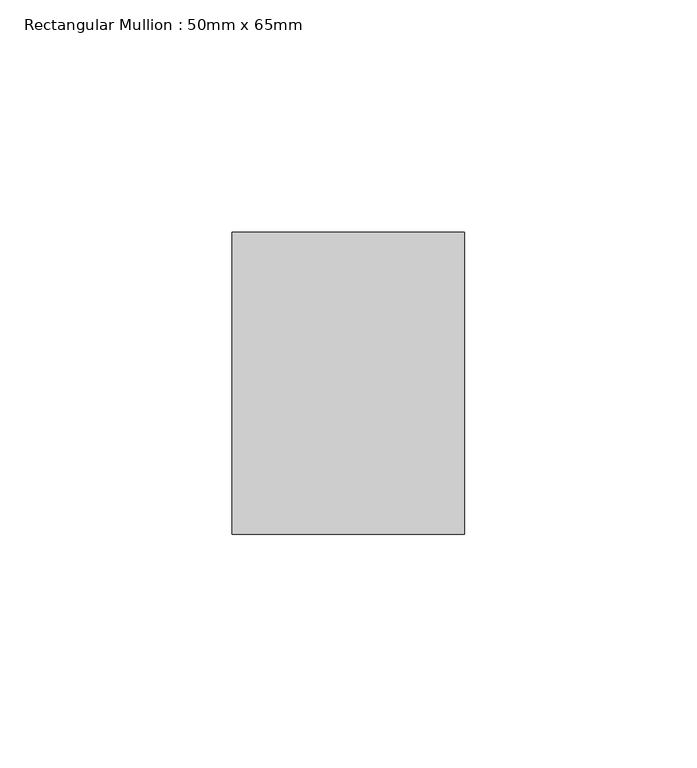
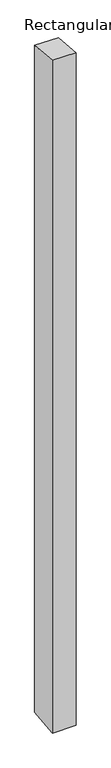
"""IFC4 building model written with IfcOpenShell, lengths in millimetres: member geometry, Rectangular Mullion : 50mm x 65mm."""

from ifc_helpers import new_model, si_unit, origin, place, context, project, spatial, faceted_brep, source, transform, mapped, element, save


def rectangular_mullion_50mm_x_65mm_0287dfe4(model_context):
    return source(origin(), model_context, "Body", "Brep", [
        faceted_brep([(-25.0, 32.5, -2.9911513), (25.0, 32.5, -2.9911613), (25.0, 32.5, -1496.6283828), (-25.0, 32.5, -1496.628394), (-25.0, -32.5, 2.9911613), (-25.0, -32.5, -1503.3717589), (25.0, -32.5, 2.9911513), (25.0, -32.5, -1503.3717477)], [[[0, 1, 2, 3]], [[4, 0, 3, 5]], [[6, 4, 5, 7]], [[1, 6, 7, 2]], [[1, 0, 4, 6]], [[2, 7, 5, 3]]]),
    ])


if __name__ == "__main__":
    model = new_model("IFC4")
    model_context = context("Model", 3, world=origin())
    ifc_project = project(units=[si_unit("LENGTHUNIT", "METRE", prefix="MILLI")], contexts=[model_context])
    site = spatial("IfcSite", under=ifc_project)
    building = spatial("IfcBuilding", under=site)
    placement = place(None, origin())
    rectangular_mullion_50mm_x_65mm_shape = rectangular_mullion_50mm_x_65mm_0287dfe4(model_context)
    element("IfcMember", 1, ObjectType="Rectangular Mullion : 50mm x 65mm", at=placement, inside=building, context=model_context, shape_type="MappedRepresentation", body=[
        mapped(rectangular_mullion_50mm_x_65mm_shape, transform((0.0, 0.0, 0.0), x_axis=(1.0, 0.0, 0.0), y_axis=(0.0, 1.0, 0.0), z_axis=(0.0, 0.0, 1.0))),
    ])
    save(model, "model.ifc")
